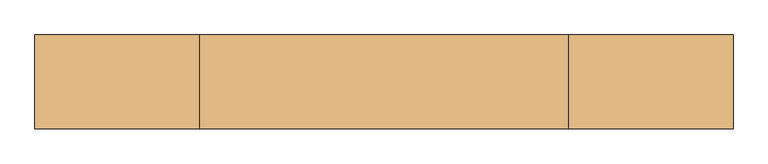
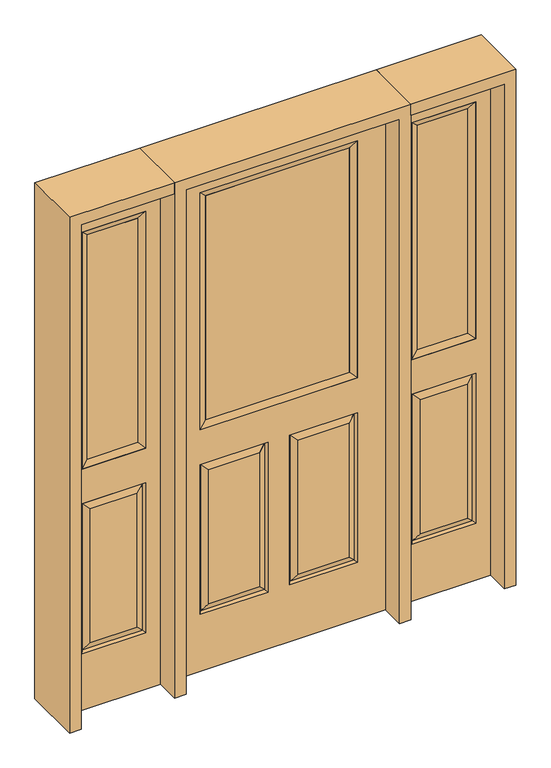
"""IFC4 building model written with IfcOpenShell, lengths in millimetres: door geometry."""

from ifc_helpers import new_model, si_unit, frame, origin, place, context, project, spatial, polyline, outline, extrude, faceted_brep, source, transform, mapped, element, save


def door_3d5339f3(model_context):
    return source(origin(), model_context, "Body", "SolidModel", [
        faceted_brep([(-406.4, -22.225, 0.0), (406.4, -22.225, 0.0), (406.4, -22.225, 2032.0), (-406.4, -22.225, 2032.0), (-299.339, -22.225, 971.55), (-299.339, -22.225, 1925.574), (299.339, -22.225, 1925.574), (299.339, -22.225, 971.55), (-299.339, -22.225, 831.85), (-41.275, -22.225, 831.85), (-41.275, -22.225, 228.6), (-299.339, -22.225, 228.6), (41.275, -22.225, 831.85), (299.339, -22.225, 831.85), (299.339, -22.225, 228.6), (41.275, -22.225, 228.6), (-73.025, -22.225, 800.1), (-267.589, -22.225, 800.1), (-267.589, -22.225, 260.35), (-73.025, -22.225, 260.35), (267.589, -22.225, 800.1), (73.025, -22.225, 800.1), (73.025, -22.225, 260.35), (267.589, -22.225, 260.35), (-406.4, 22.225, 0.0), (406.4, 22.225, 0.0), (406.4, 22.225, 2032.0), (-406.4, 22.225, 2032.0), (-299.339, 22.225, 971.55), (-299.339, 22.225, 1925.574), (299.339, 22.225, 1925.574), (299.339, 22.225, 971.55), (-41.275, 22.225, 831.85), (-299.339, 22.225, 831.85), (-299.339, 22.225, 228.6), (-41.275, 22.225, 228.6), (299.339, 22.225, 831.85), (41.275, 22.225, 831.85), (41.275, 22.225, 228.6), (299.339, 22.225, 228.6), (-267.589, 22.225, 800.1), (-73.025, 22.225, 800.1), (-73.025, 22.225, 260.35), (-267.589, 22.225, 260.35), (73.025, 22.225, 800.1), (267.589, 22.225, 800.1), (267.589, 22.225, 260.35), (73.025, 22.225, 260.35), (-48.41875, -12.7449236, 824.70625), (-292.19525, -12.7449236, 824.70625), (-292.19525, -12.7449236, 235.74375), (-48.41875, -12.7449236, 235.74375), (292.19525, -12.7449236, 824.70625), (48.41875, -12.7449236, 824.70625), (48.41875, -12.7449236, 235.74375), (292.19525, -12.7449236, 235.74375), (-292.19525, 12.7449236, 824.70625), (-48.41875, 12.7449236, 824.70625), (-48.41875, 12.7449236, 235.74375), (-292.19525, 12.7449236, 235.74375), (48.41875, 12.7449236, 824.70625), (292.19525, 12.7449236, 824.70625), (292.19525, 12.7449236, 235.74375), (48.41875, 12.7449236, 235.74375)], [[[0, 1, 2, 3], [4, 5, 6, 7], [8, 9, 10, 11], [12, 13, 14, 15]], [[16, 17, 18, 19]], [[20, 21, 22, 23]], [[1, 0, 24, 25]], [[2, 1, 25, 26]], [[0, 3, 27, 24]], [[5, 4, 28, 29]], [[7, 6, 30, 31]], [[4, 7, 31, 28]], [[24, 27, 26, 25], [28, 31, 30, 29], [32, 33, 34, 35], [36, 37, 38, 39]], [[40, 41, 42, 43]], [[44, 45, 46, 47]], [[3, 2, 26, 27]], [[6, 5, 29, 30]], [[16, 48, 49, 17]], [[17, 49, 50, 18]], [[51, 19, 18, 50]], [[48, 16, 19, 51]], [[49, 48, 9, 8]], [[9, 48, 51, 10]], [[10, 51, 50, 11]], [[49, 8, 11, 50]], [[52, 53, 21, 20]], [[21, 53, 54, 22]], [[22, 54, 55, 23]], [[52, 20, 23, 55]], [[53, 52, 13, 12]], [[13, 52, 55, 14]], [[54, 15, 14, 55]], [[53, 12, 15, 54]], [[56, 57, 41, 40]], [[41, 57, 58, 42]], [[42, 58, 59, 43]], [[56, 40, 43, 59]], [[57, 56, 33, 32]], [[33, 56, 59, 34]], [[58, 35, 34, 59]], [[57, 32, 35, 58]], [[44, 60, 61, 45]], [[45, 61, 62, 46]], [[63, 47, 46, 62]], [[60, 44, 47, 63]], [[61, 60, 37, 36]], [[37, 60, 63, 38]], [[38, 63, 62, 39]], [[61, 36, 39, 62]]]),
        extrude(outline(polyline([(273.939, -12.7), (-273.939, -12.7), (-273.939, 12.7), (273.939, 12.7), (273.939, -12.7)])), frame((0.0, 0.0, 996.95), z_axis=(0.0, 0.0, 1.0), x_axis=(1.0, 0.0, 0.0)), (0.0, 0.0, 1.0), 903.224),
        faceted_brep([(-299.339, -22.225, 1925.574), (-299.339, 22.225, 1925.574), (-299.339, 22.225, 971.55), (-299.339, -22.225, 971.55), (299.339, 22.225, 971.55), (299.339, -22.225, 971.55), (-273.939, 12.7, 996.95), (273.939, 12.7, 996.95), (299.339, 22.225, 1925.574), (299.339, -22.225, 1925.574), (-273.939, -12.7, 996.95), (273.939, -12.7, 996.95), (-273.939, -12.7, 1900.174), (273.939, -12.7, 1900.174), (-273.939, 12.7, 1900.174), (273.939, 12.7, 1900.174)], [[[0, 1, 2, 3]], [[3, 2, 4, 5]], [[2, 6, 7, 4]], [[5, 4, 8, 9]], [[10, 3, 5, 11]], [[12, 0, 3, 10]], [[11, 5, 9, 13]], [[6, 10, 11, 7]], [[14, 12, 10, 6]], [[7, 11, 13, 15]], [[1, 14, 6, 2]], [[4, 7, 15, 8]], [[9, 8, 1, 0]], [[13, 9, 0, 12]], [[15, 13, 12, 14]], [[8, 15, 14, 1]]]),
        faceted_brep([(806.45, -22.225, 0.0), (806.45, -22.225, 2032.0), (450.85, -22.225, 2032.0), (450.85, -22.225, 0.0), (507.238, -22.225, 1925.574), (750.062, -22.225, 1925.574), (750.062, -22.225, 971.55), (507.238, -22.225, 971.55), (507.238, -22.225, 228.6), (507.238, -22.225, 831.85), (750.062, -22.225, 831.85), (750.062, -22.225, 228.6), (718.1559872, -22.225, 260.5060128), (718.1559872, -22.225, 799.9439872), (539.1440128, -22.225, 799.9439872), (539.1440128, -22.225, 260.5060128), (450.85, 22.225, 0.0), (806.45, 22.225, 0.0), (450.85, 22.225, 2032.0), (806.45, 22.225, 2032.0), (507.238, 22.225, 971.55), (507.238, 22.225, 1925.574), (750.062, 22.225, 971.55), (750.062, 22.225, 1925.574), (750.062, 22.225, 228.6), (750.062, 22.225, 831.85), (507.238, 22.225, 831.85), (507.238, 22.225, 228.6), (539.1440128, 22.225, 260.5060128), (539.1440128, 22.225, 799.9439872), (718.1559872, 22.225, 799.9439872), (718.1559872, 22.225, 260.5060128), (743.1419933, -13.0418409, 235.5200067), (514.1580067, -13.0418409, 235.5200067), (743.1419933, -13.0418409, 824.9299933), (514.1580067, -13.0418409, 824.9299933), (743.1419933, 13.0418409, 235.5200067), (514.1580067, 13.0418409, 235.5200067), (514.1580067, 13.0418409, 824.9299933), (743.1419933, 13.0418409, 824.9299933)], [[[0, 1, 2, 3], [4, 5, 6, 7], [8, 9, 10, 11]], [[12, 13, 14, 15]], [[3, 16, 17, 0]], [[2, 18, 16, 3]], [[0, 17, 19, 1]], [[7, 20, 21, 4]], [[6, 22, 20, 7]], [[5, 23, 22, 6]], [[17, 16, 18, 19], [21, 20, 22, 23], [24, 25, 26, 27]], [[28, 29, 30, 31]], [[1, 19, 18, 2]], [[4, 21, 23, 5]], [[8, 11, 32, 33]], [[11, 10, 34, 32]], [[35, 34, 10, 9]], [[33, 35, 9, 8]], [[32, 12, 15, 33]], [[15, 14, 35, 33]], [[14, 13, 34, 35]], [[32, 34, 13, 12]], [[36, 24, 27, 37]], [[27, 26, 38, 37]], [[26, 25, 39, 38]], [[36, 39, 25, 24]], [[37, 28, 31, 36]], [[31, 30, 39, 36]], [[38, 39, 30, 29]], [[37, 38, 29, 28]]]),
        extrude(outline(polyline([(532.638, -12.7), (532.638, 12.7), (724.662, 12.7), (724.662, -12.7), (532.638, -12.7)])), frame((0.0, 0.0, 996.95), z_axis=(0.0, 0.0, 1.0), x_axis=(1.0, 0.0, 0.0)), (0.0, 0.0, 1.0), 903.224),
        faceted_brep([(750.062, -22.225, 1925.574), (750.062, -22.225, 971.55), (750.062, 22.225, 971.55), (750.062, 22.225, 1925.574), (507.238, -22.225, 971.55), (507.238, 22.225, 971.55), (532.638, 12.7, 996.95), (724.662, 12.7, 996.95), (507.238, -22.225, 1925.574), (507.238, 22.225, 1925.574), (724.662, -12.7, 996.95), (532.638, -12.7, 996.95), (724.662, -12.7, 1900.174), (532.638, -12.7, 1900.174), (724.662, 12.7, 1900.174), (532.638, 12.7, 1900.174)], [[[0, 1, 2, 3]], [[1, 4, 5, 2]], [[2, 5, 6, 7]], [[4, 8, 9, 5]], [[10, 11, 4, 1]], [[12, 10, 1, 0]], [[11, 13, 8, 4]], [[7, 6, 11, 10]], [[14, 7, 10, 12]], [[6, 15, 13, 11]], [[3, 2, 7, 14]], [[5, 9, 15, 6]], [[8, 0, 3, 9]], [[13, 12, 0, 8]], [[15, 14, 12, 13]], [[9, 3, 14, 15]]]),
        faceted_brep([(-806.45, -22.225, 0.0), (-450.85, -22.225, 0.0), (-450.85, -22.225, 2032.0), (-806.45, -22.225, 2032.0), (-507.238, -22.225, 1925.574), (-507.238, -22.225, 971.55), (-750.062, -22.225, 971.55), (-750.062, -22.225, 1925.574), (-507.238, -22.225, 228.6), (-750.062, -22.225, 228.6), (-750.062, -22.225, 831.85), (-507.238, -22.225, 831.85), (-718.1559872, -22.225, 260.5060128), (-539.1440128, -22.225, 260.5060128), (-539.1440128, -22.225, 799.9439872), (-718.1559872, -22.225, 799.9439872), (-806.45, 22.225, 0.0), (-450.85, 22.225, 0.0), (-450.85, 22.225, 2032.0), (-806.45, 22.225, 2032.0), (-507.238, 22.225, 1925.574), (-507.238, 22.225, 971.55), (-750.062, 22.225, 971.55), (-750.062, 22.225, 1925.574), (-750.062, 22.225, 228.6), (-507.238, 22.225, 228.6), (-507.238, 22.225, 831.85), (-750.062, 22.225, 831.85), (-539.1440128, 22.225, 260.5060128), (-718.1559872, 22.225, 260.5060128), (-718.1559872, 22.225, 799.9439872), (-539.1440128, 22.225, 799.9439872), (-514.1580067, -13.0418409, 235.5200067), (-743.1419933, -13.0418409, 235.5200067), (-743.1419933, -13.0418409, 824.9299933), (-514.1580067, -13.0418409, 824.9299933), (-743.1419933, 13.0418409, 235.5200067), (-514.1580067, 13.0418409, 235.5200067), (-514.1580067, 13.0418409, 824.9299933), (-743.1419933, 13.0418409, 824.9299933)], [[[0, 1, 2, 3], [4, 5, 6, 7], [8, 9, 10, 11]], [[12, 13, 14, 15]], [[1, 0, 16, 17]], [[2, 1, 17, 18]], [[0, 3, 19, 16]], [[5, 4, 20, 21]], [[6, 5, 21, 22]], [[7, 6, 22, 23]], [[16, 19, 18, 17], [20, 23, 22, 21], [24, 25, 26, 27]], [[28, 29, 30, 31]], [[3, 2, 18, 19]], [[4, 7, 23, 20]], [[8, 32, 33, 9]], [[9, 33, 34, 10]], [[35, 11, 10, 34]], [[32, 8, 11, 35]], [[33, 32, 13, 12]], [[13, 32, 35, 14]], [[14, 35, 34, 15]], [[33, 12, 15, 34]], [[36, 37, 25, 24]], [[25, 37, 38, 26]], [[26, 38, 39, 27]], [[36, 24, 27, 39]], [[37, 36, 29, 28]], [[29, 36, 39, 30]], [[38, 31, 30, 39]], [[37, 28, 31, 38]]]),
        extrude(outline(polyline([(-532.638, -12.7), (-724.662, -12.7), (-724.662, 12.7), (-532.638, 12.7), (-532.638, -12.7)])), frame((0.0, 0.0, 996.95), z_axis=(0.0, 0.0, 1.0), x_axis=(1.0, 0.0, 0.0)), (0.0, 0.0, 1.0), 903.224),
        faceted_brep([(-750.062, -22.225, 1925.574), (-750.062, 22.225, 1925.574), (-750.062, 22.225, 971.55), (-750.062, -22.225, 971.55), (-507.238, 22.225, 971.55), (-507.238, -22.225, 971.55), (-724.662, 12.7, 996.95), (-532.638, 12.7, 996.95), (-507.238, 22.225, 1925.574), (-507.238, -22.225, 1925.574), (-724.662, -12.7, 996.95), (-532.638, -12.7, 996.95), (-724.662, -12.7, 1900.174), (-532.638, -12.7, 1900.174), (-724.662, 12.7, 1900.174), (-532.638, 12.7, 1900.174)], [[[0, 1, 2, 3]], [[3, 2, 4, 5]], [[2, 6, 7, 4]], [[5, 4, 8, 9]], [[10, 3, 5, 11]], [[12, 0, 3, 10]], [[11, 5, 9, 13]], [[6, 10, 11, 7]], [[14, 12, 10, 6]], [[7, 11, 13, 15]], [[1, 14, 6, 2]], [[4, 7, 15, 8]], [[9, 8, 1, 0]], [[13, 9, 0, 12]], [[15, 13, 12, 14]], [[8, 15, 14, 1]]]),
        extrude(outline(polyline([(2032.0, -450.85), (2076.45, -450.85), (2076.45, -850.9), (0.0, -850.9), (0.0, -806.45), (2032.0, -806.45), (2032.0, -450.85)])), frame((0.0, -114.3, 0.0), z_axis=(0.0, 1.0, 0.0), x_axis=(0.0, 0.0, 1.0)), (0.0, 0.0, 1.0), 228.6),
        extrude(outline(polyline([(2076.45, 450.85), (2032.0, 450.85), (2032.0, 806.45), (0.0, 806.45), (0.0, 850.9), (2076.45, 850.9), (2076.45, 450.85)])), frame((0.0, -114.3, 0.0), z_axis=(0.0, 1.0, 0.0), x_axis=(0.0, 0.0, 1.0)), (0.0, 0.0, 1.0), 228.6),
        extrude(outline(polyline([(0.0, -450.85), (0.0, -406.4), (2032.0, -406.4), (2032.0, 406.4), (0.0, 406.4), (0.0, 450.85), (2076.45, 450.85), (2076.45, -450.85), (0.0, -450.85)])), frame((0.0, -114.3, 0.0), z_axis=(0.0, 1.0, 0.0), x_axis=(0.0, 0.0, 1.0)), (0.0, 0.0, 1.0), 228.6),
    ])


if __name__ == "__main__":
    model = new_model("IFC4")
    model_context = context("Model", 3, world=origin())
    ifc_project = project(units=[si_unit("LENGTHUNIT", "METRE", prefix="MILLI")], contexts=[model_context])
    site = spatial("IfcSite", under=ifc_project)
    building = spatial("IfcBuilding", under=site)
    placement = place(None, origin())
    door_shape = door_3d5339f3(model_context)
    element("IfcDoor", 1, at=placement, inside=building, context=model_context, shape_type="MappedRepresentation", body=[
        mapped(door_shape, transform((0.0, 0.0, 0.0), x_axis=(1.0, 0.0, 0.0), y_axis=(0.0, 1.0, 0.0), z_axis=(0.0, 0.0, 1.0))),
    ])
    save(model, "model.ifc")
